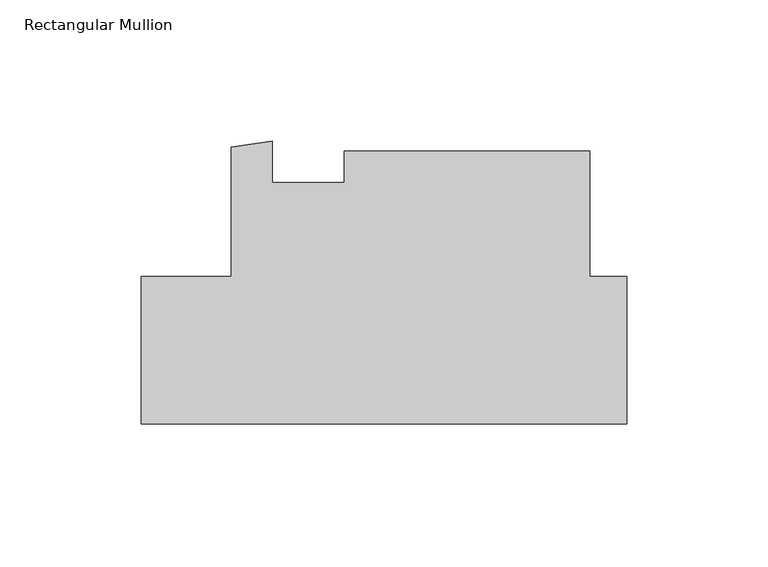
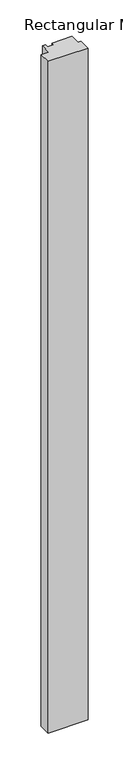
"""IFC4 building model written with IfcOpenShell, lengths in millimetres: member geometry, Rectangular Mullion."""

from ifc_helpers import new_model, si_unit, frame, origin, place, context, project, spatial, polyline, outline, extrude, source, transform, mapped, element, save


def rectangular_mullion_92e4d1b3(model_context):
    return source(origin(), model_context, "Body", "SweptSolid", [
        extrude(outline(polyline([(-171.4499999, 19.2732646), (-139.7010309, 19.2732646), (-139.7010309, 65.0636469), (-125.165484, 67.1238031), (-125.165484, 52.6107646), (-99.7975059, 52.6107646), (-99.7975059, 63.7232646), (-12.9550309, 63.7232646), (-12.9550309, 19.2986649), (0.0, 19.2986649), (0.0, -32.7967351), (-171.4499999, -32.7967351), (-171.4499999, 19.2732646)])), frame((0.0, 0.0, -3048.0), z_axis=(0.0, 0.0, 1.0), x_axis=(1.0, 0.0, 0.0)), (0.0, 0.0, 1.0), 3048.0),
    ])


if __name__ == "__main__":
    model = new_model("IFC4")
    model_context = context("Model", 3, world=origin())
    ifc_project = project(units=[si_unit("LENGTHUNIT", "METRE", prefix="MILLI")], contexts=[model_context])
    site = spatial("IfcSite", under=ifc_project)
    building = spatial("IfcBuilding", under=site)
    placement = place(None, origin())
    rectangular_mullion_shape = rectangular_mullion_92e4d1b3(model_context)
    element("IfcMember", 1, ObjectType="Rectangular Mullion", at=placement, inside=building, context=model_context, shape_type="MappedRepresentation", body=[
        mapped(rectangular_mullion_shape, transform((0.0, 0.0, 0.0), x_axis=(1.0, 0.0, 0.0), y_axis=(0.0, 1.0, 0.0), z_axis=(0.0, 0.0, 1.0))),
    ])
    save(model, "model.ifc")
